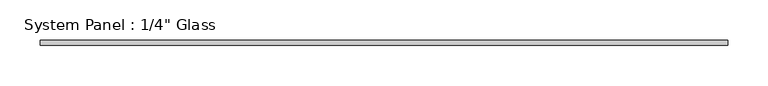
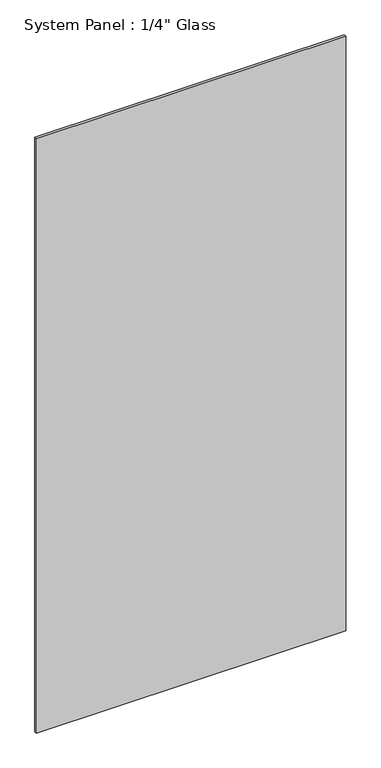
"""IFC4 building model written with IfcOpenShell, lengths in millimetres: plate geometry."""

from ifc_helpers import new_model, si_unit, origin, origin_with_axes, place, context, project, spatial, polyline, outline, extrude, source, transform, mapped, element, save


def plate_81809e1b(model_context):
    return source(origin(), model_context, "Body", "SweptSolid", [
        extrude(outline(polyline([(428.3099054, -3.175), (-428.3099054, -3.175), (-428.3099054, 3.175), (428.3099054, 3.175), (428.3099054, -3.175)])), origin_with_axes(), (0.0, 0.0, 1.0), 1739.9),
    ])


if __name__ == "__main__":
    model = new_model("IFC4")
    model_context = context("Model", 3, world=origin())
    ifc_project = project(units=[si_unit("LENGTHUNIT", "METRE", prefix="MILLI")], contexts=[model_context])
    site = spatial("IfcSite", under=ifc_project)
    building = spatial("IfcBuilding", under=site)
    placement = place(None, origin())
    plate_shape = plate_81809e1b(model_context)
    element("IfcPlate", 1, ObjectType="System Panel : 1/4\" Glass", at=placement, inside=building, context=model_context, shape_type="MappedRepresentation", body=[
        mapped(plate_shape, transform((0.0, 0.0, 0.0), x_axis=(1.0, 0.0, 0.0), y_axis=(0.0, 1.0, 0.0), z_axis=(0.0, 0.0, 1.0))),
    ])
    save(model, "model.ifc")
